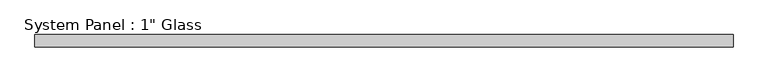
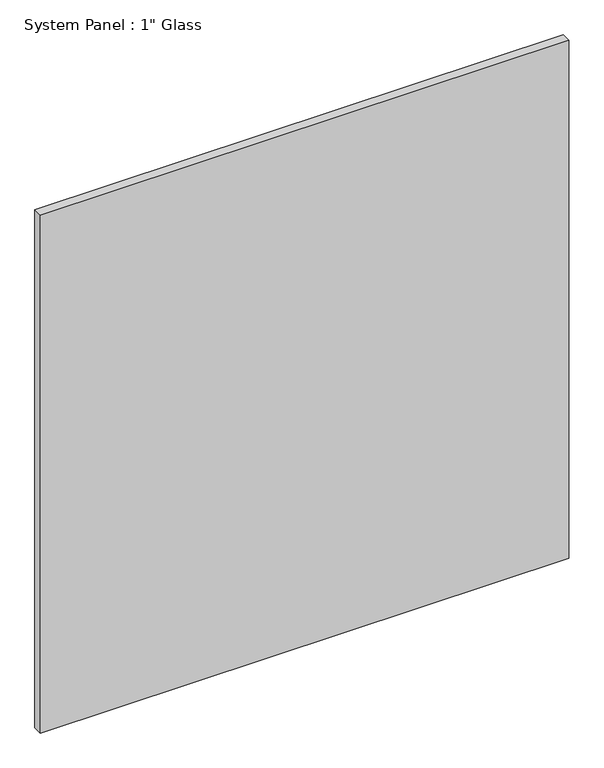
"""IFC4 building model written with IfcOpenShell, lengths in millimetres: plate geometry."""

from ifc_helpers import new_model, si_unit, origin, origin_with_axes, place, context, project, spatial, polyline, outline, extrude, source, transform, mapped, element, save


def plate_eba4e87f(model_context):
    return source(origin(), model_context, "Body", "SweptSolid", [
        extrude(outline(polyline([(708.6055865, -12.7), (-708.6055865, -12.7), (-708.6055865, 12.7), (708.6055865, 12.7), (708.6055865, -12.7)])), origin_with_axes(), (0.0, 0.0, 1.0), 1468.0111731),
    ])


if __name__ == "__main__":
    model = new_model("IFC4")
    model_context = context("Model", 3, world=origin())
    ifc_project = project(units=[si_unit("LENGTHUNIT", "METRE", prefix="MILLI")], contexts=[model_context])
    site = spatial("IfcSite", under=ifc_project)
    building = spatial("IfcBuilding", under=site)
    placement = place(None, origin())
    plate_shape = plate_eba4e87f(model_context)
    element("IfcPlate", 1, ObjectType="System Panel : 1\" Glass", at=placement, inside=building, context=model_context, shape_type="MappedRepresentation", body=[
        mapped(plate_shape, transform((0.0, 0.0, 0.0), x_axis=(1.0, 0.0, 0.0), y_axis=(0.0, 1.0, 0.0), z_axis=(0.0, 0.0, 1.0))),
    ])
    save(model, "model.ifc")
